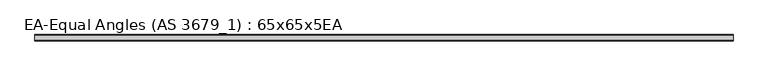
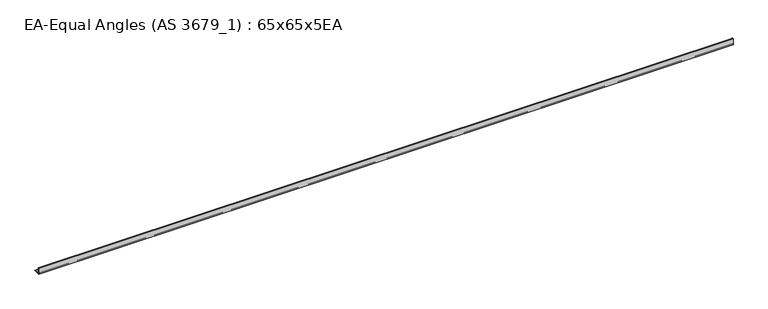
"""IFC4 building model written with IfcOpenShell, lengths in millimetres: beam geometry, EA-Equal Angles (AS 3679_1) : 65x65x5EA."""

from ifc_helpers import new_model, si_unit, point, frame, frame_2d, origin, place, context, project, spatial, polyline, circle_curve, trimmed, segment, composite_curve, outline, extrude, source, transform, mapped, element, save


def ea_equal_angles_as_3679_1_65x65x5ea_8cec452e(model_context):
    return source(origin(), model_context, "Body", "SweptSolid", [
        extrude(outline(composite_curve([segment(polyline([(-17.7, -17.7), (-17.7, 47.3), (-15.7, 47.3)]), True, "CONTINUOUS"), segment(trimmed(circle_curve(frame_2d((-15.7, 44.3)), 3.0), [point((-15.7, 47.3))], [point((-12.7, 44.3))], False, "CARTESIAN"), True, "CONTINUOUS"), segment(polyline([(-12.7, 44.3), (-12.7, -6.7)]), True, "CONTINUOUS"), segment(trimmed(circle_curve(frame_2d((-6.7, -6.7)), 6.0), [point((-12.7, -6.7))], [point((-6.7, -12.7))], True, "CARTESIAN"), True, "CONTINUOUS"), segment(polyline([(-6.7, -12.7), (44.3, -12.7)]), True, "CONTINUOUS"), segment(trimmed(circle_curve(frame_2d((44.3, -15.7)), 3.0), [point((44.3, -12.7))], [point((47.3, -15.7))], False, "CARTESIAN"), True, "CONTINUOUS"), segment(polyline([(47.3, -15.7), (47.3, -17.7), (-17.7, -17.7)]), True, "CONTINUOUS")], self_intersect=False)), frame((-3597.0, 0.0, 0.0), z_axis=(1.0, 0.0, 0.0), x_axis=(0.0, 1.0, 0.0)), (0.0, 0.0, 1.0), 7136.0),
    ])


if __name__ == "__main__":
    model = new_model("IFC4")
    model_context = context("Model", 3, world=origin())
    ifc_project = project(units=[si_unit("LENGTHUNIT", "METRE", prefix="MILLI")], contexts=[model_context])
    site = spatial("IfcSite", under=ifc_project)
    building = spatial("IfcBuilding", under=site)
    placement = place(None, origin())
    ea_equal_angles_as_3679_1_65x65x5ea_shape = ea_equal_angles_as_3679_1_65x65x5ea_8cec452e(model_context)
    element("IfcBeam", 1, ObjectType="EA-Equal Angles (AS 3679_1) : 65x65x5EA", at=placement, inside=building, context=model_context, shape_type="MappedRepresentation", body=[
        mapped(ea_equal_angles_as_3679_1_65x65x5ea_shape, transform((0.0, 0.0, 0.0), x_axis=(1.0, 0.0, 0.0), y_axis=(0.0, 1.0, 0.0), z_axis=(0.0, 0.0, 1.0))),
    ])
    save(model, "model.ifc")
